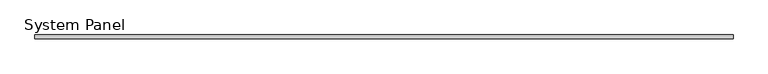
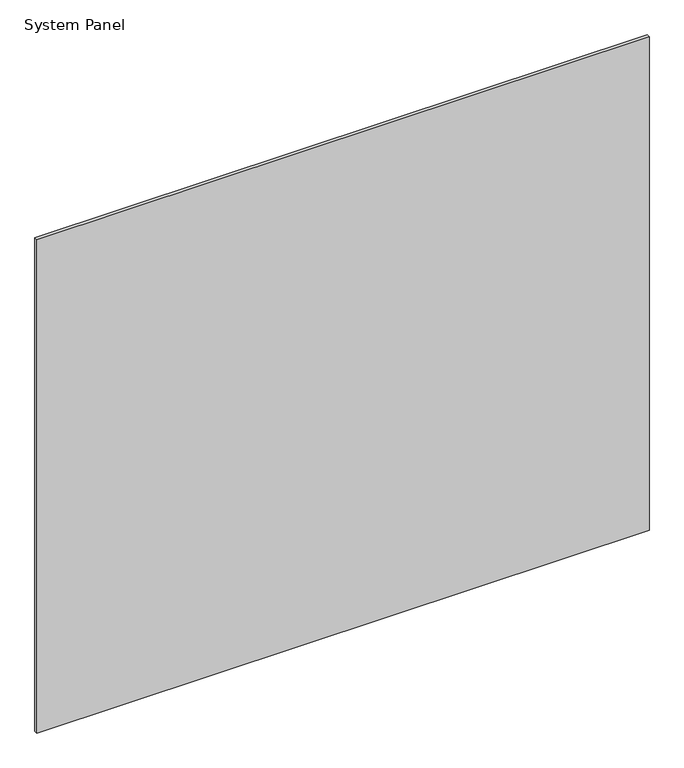
"""IFC4 building model written with IfcOpenShell, lengths in millimetres: plate geometry, System Panel."""

from ifc_helpers import new_model, si_unit, origin, origin_with_axes, place, context, project, spatial, polyline, outline, extrude, source, transform, mapped, element, save


def system_panel_ab1b57af(model_context):
    return source(origin(), model_context, "Body", "SweptSolid", [
        extrude(outline(polyline([(880.0, -17.0), (-880.0, -17.0), (-880.0, -7.0), (880.0, -7.0), (880.0, -17.0)])), origin_with_axes(), (0.0, 0.0, 1.0), 1500.0),
    ])


if __name__ == "__main__":
    model = new_model("IFC4")
    model_context = context("Model", 3, world=origin())
    ifc_project = project(units=[si_unit("LENGTHUNIT", "METRE", prefix="MILLI")], contexts=[model_context])
    site = spatial("IfcSite", under=ifc_project)
    building = spatial("IfcBuilding", under=site)
    placement = place(None, origin())
    system_panel_shape = system_panel_ab1b57af(model_context)
    element("IfcPlate", 1, ObjectType="System Panel", at=placement, inside=building, context=model_context, shape_type="MappedRepresentation", body=[
        mapped(system_panel_shape, transform((0.0, 0.0, 0.0), x_axis=(1.0, 0.0, 0.0), y_axis=(0.0, 1.0, 0.0), z_axis=(0.0, 0.0, 1.0))),
    ])
    save(model, "model.ifc")
